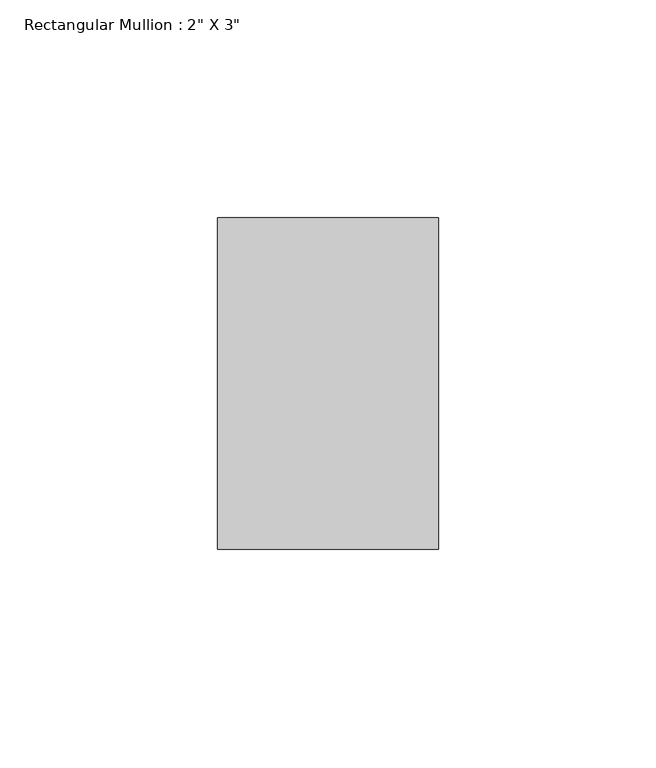
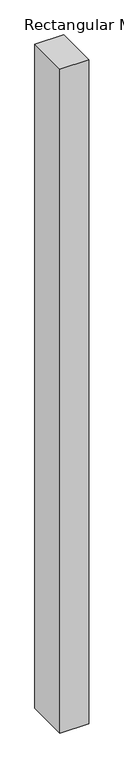
"""IFC4 building model written with IfcOpenShell, lengths in millimetres: member geometry."""

from ifc_helpers import new_model, si_unit, frame, origin, place, context, project, spatial, polyline, outline, extrude, source, transform, mapped, element, save


def member_ea1b9dc2(model_context):
    return source(origin(), model_context, "Body", "SweptSolid", [
        extrude(outline(polyline([(25.4, 12.7), (25.4, -63.5), (-25.4, -63.5), (-25.4, 12.7), (25.4, 12.7)])), frame((0.0, 0.0, -1231.9), z_axis=(0.0, 0.0, 1.0), x_axis=(1.0, 0.0, 0.0)), (0.0, 0.0, 1.0), 1231.9),
    ])


if __name__ == "__main__":
    model = new_model("IFC4")
    model_context = context("Model", 3, world=origin())
    ifc_project = project(units=[si_unit("LENGTHUNIT", "METRE", prefix="MILLI")], contexts=[model_context])
    site = spatial("IfcSite", under=ifc_project)
    building = spatial("IfcBuilding", under=site)
    placement = place(None, origin())
    member_shape = member_ea1b9dc2(model_context)
    element("IfcMember", 1, ObjectType="Rectangular Mullion : 2\" X 3\"", at=placement, inside=building, context=model_context, shape_type="MappedRepresentation", body=[
        mapped(member_shape, transform((0.0, 0.0, 0.0), x_axis=(1.0, 0.0, 0.0), y_axis=(0.0, 1.0, 0.0), z_axis=(0.0, 0.0, 1.0))),
    ])
    save(model, "model.ifc")
